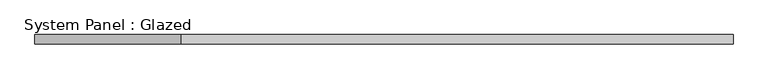
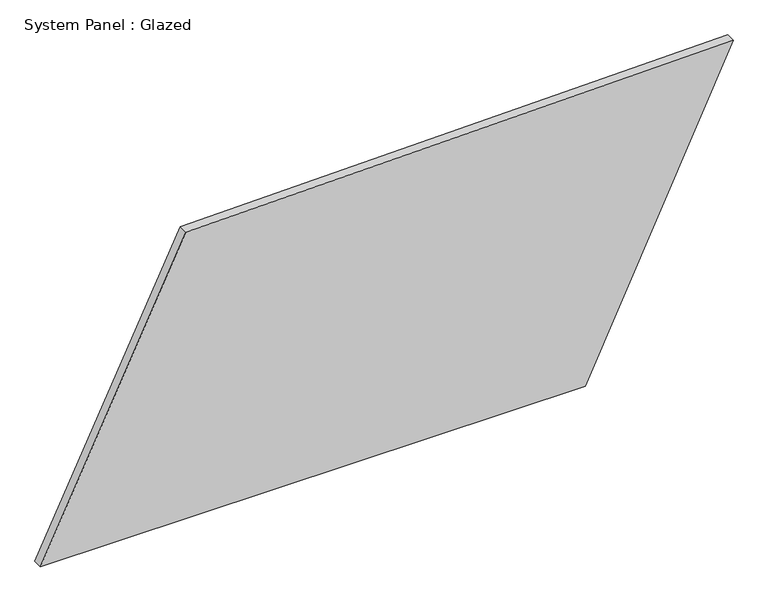
"""IFC4 building model written with IfcOpenShell, lengths in millimetres: plate geometry, System Panel : Glazed."""

from ifc_helpers import new_model, si_unit, frame, origin, place, context, project, spatial, polyline, outline, extrude, source, transform, mapped, element, save


def system_panel_glazed_5a9ee959(model_context):
    return source(origin(), model_context, "Body", "SweptSolid", [
        extrude(outline(polyline([(0.0, -920.2584512), (0.0, 527.0260806), (834.2119976, 920.2584512), (804.5699812, -533.9387448), (0.0, -920.2584512)])), frame((0.0, -49.5, 0.0), z_axis=(0.0, 1.0, 0.0), x_axis=(0.0, 0.0, 1.0)), (0.0, 0.0, 1.0), 25.0),
    ])


if __name__ == "__main__":
    model = new_model("IFC4")
    model_context = context("Model", 3, world=origin())
    ifc_project = project(units=[si_unit("LENGTHUNIT", "METRE", prefix="MILLI")], contexts=[model_context])
    site = spatial("IfcSite", under=ifc_project)
    building = spatial("IfcBuilding", under=site)
    placement = place(None, origin())
    system_panel_glazed_shape = system_panel_glazed_5a9ee959(model_context)
    element("IfcPlate", 1, ObjectType="System Panel : Glazed", at=placement, inside=building, context=model_context, shape_type="MappedRepresentation", body=[
        mapped(system_panel_glazed_shape, transform((0.0, 0.0, 0.0), x_axis=(1.0, 0.0, 0.0), y_axis=(0.0, 1.0, 0.0), z_axis=(0.0, 0.0, 1.0))),
    ])
    save(model, "model.ifc")
